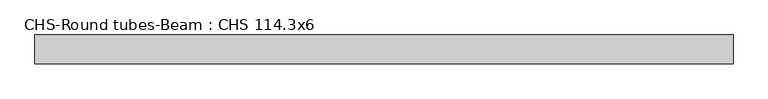
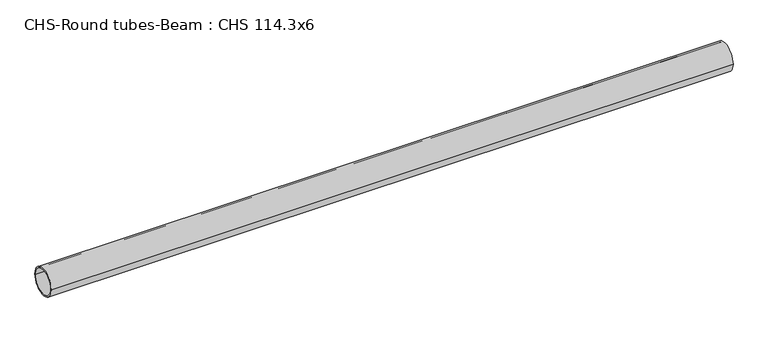
"""IFC4 building model written with IfcOpenShell, lengths in millimetres: beam geometry, CHS-Round tubes-Beam : CHS 114.3x6."""

import ifcopenshell
import ifcopenshell.guid

model = None  # the IFC model being written
_history = None  # IfcOwnerHistory: only IFC2X3 demands one
_inside = {}  # id of a spatial element -> (the spatial element, [elements in it])
_under = {}  # id of a project, library or spatial element -> (it, [spatial elements below it])
_declared = {}  # id of a project -> (the project, [libraries it declares])
_typed = {}  # id of a type object -> (the type object, [elements of that type])
_made_of = {}  # id of a material, layer set ... -> (it, [elements and type objects made of it])


def new_model(schema):
    """Start an empty IFC model of exactly this schema.

    Asked for "IFC4X3", IfcOpenShell would pick the latest addendum, in which some entities
    have other attributes; the version numbers below select the first issue.
    IFC2X3 requires an IfcOwnerHistory on every rooted entity: one is made here for all.
    """
    global model, _history
    if schema == "IFC4X3":
        model = ifcopenshell.file(schema_version=(4, 3, 0, 0))
    else:
        model = ifcopenshell.file(schema=schema)
    _inside.clear()
    _under.clear()
    _declared.clear()
    _typed.clear()
    _made_of.clear()
    _history = None
    if model.schema == "IFC2X3":
        org = make("IfcOrganization", Name="unknown")
        user = make(
            "IfcPersonAndOrganization",
            ThePerson=make("IfcPerson", FamilyName="unknown"),
            TheOrganization=org,
        )
        app = make(
            "IfcApplication",
            ApplicationDeveloper=org,
            Version="unknown",
            ApplicationFullName="unknown",
            ApplicationIdentifier="unknown",
        )
        _history = make(
            "IfcOwnerHistory",
            OwningUser=user,
            OwningApplication=app,
            ChangeAction="ADDED",
            CreationDate=0,
        )
    return model


def make(cls, **values):
    """One entity of the class cls with the attributes given. An attribute that is None is left unset."""
    return model.create_entity(
        cls, **{name: value for name, value in values.items() if value is not None}
    )


def rooted(cls, **values):
    """An entity with a GlobalId (a new one), such as an element, a storey or a relation."""
    return make(cls, GlobalId=ifcopenshell.guid.new(), OwnerHistory=_history, **values)


def si_unit(unit_type, name, prefix=None):
    """IfcSIUnit, for example si_unit("LENGTHUNIT", "METRE", prefix="MILLI")."""
    return make("IfcSIUnit", UnitType=unit_type, Prefix=prefix, Name=name)


def assignment(units):
    """IfcUnitAssignment: the units of a project."""
    return None if units is None else make("IfcUnitAssignment", Units=units)


def point(xyz):
    """IfcCartesianPoint."""
    return None if xyz is None else make("IfcCartesianPoint", Coordinates=xyz)


def direction(xyz):
    """IfcDirection."""
    return None if xyz is None else make("IfcDirection", DirectionRatios=xyz)


def frame(location, z_axis=None, x_axis=None):
    """IfcAxis2Placement3D, a coordinate frame: its origin and axes. An axis left out is left unset."""
    return make(
        "IfcAxis2Placement3D",
        Location=point(location),
        Axis=direction(z_axis),
        RefDirection=direction(x_axis),
    )


def frame_2d(location, x_axis=None):
    """IfcAxis2Placement2D, a coordinate frame in the plane: its origin and x axis."""
    return make(
        "IfcAxis2Placement2D", Location=point(location), RefDirection=direction(x_axis)
    )


def origin():
    """The frame at (0, 0, 0) with its axes left unset."""
    return frame((0.0, 0.0, 0.0))


def origin_2d():
    """The frame at (0, 0) in the plane with its x axis left unset."""
    return frame_2d((0.0, 0.0))


def place(relative_to, where):
    """IfcLocalPlacement: puts the frame where relative to a parent placement (None: the world)."""
    return make(
        "IfcLocalPlacement", PlacementRelTo=relative_to, RelativePlacement=where
    )


def context(
    kind, dimensions, precision=None, world=None, true_north=None, identifier=None
):
    """IfcGeometricRepresentationContext, for example the 3D "Model" context."""
    return make(
        "IfcGeometricRepresentationContext",
        ContextIdentifier=identifier,
        ContextType=kind,
        CoordinateSpaceDimension=dimensions,
        Precision=precision,
        WorldCoordinateSystem=world,
        TrueNorth=true_north,
    )


def project(units=None, contexts=None):
    """IfcProject with its units and contexts."""
    return rooted(
        "IfcProject",
        Name="project",
        RepresentationContexts=contexts,
        UnitsInContext=assignment(units),
    )


def spatial(cls, under=None, at=None, **own):
    """A site, building, storey or space (cls), placed at a placement, below another one or the project."""
    s = rooted(cls, ObjectPlacement=at, **own)
    if under is not None:
        _under.setdefault(under.id(), (under, []))[1].append(s)
    return s


def circle_curve(where, radius):
    """IfcCircle in the frame where."""
    return make("IfcCircle", Position=where, Radius=radius)


def trimmed(basis, trim1, trim2, sense, master):
    """IfcTrimmedCurve: the piece of a basis curve between two trims."""
    return make(
        "IfcTrimmedCurve",
        BasisCurve=basis,
        Trim1=trim1,
        Trim2=trim2,
        SenseAgreement=sense,
        MasterRepresentation=master,
    )


def segment(curve, same_sense, transition):
    """IfcCompositeCurveSegment."""
    return make(
        "IfcCompositeCurveSegment",
        Transition=transition,
        SameSense=same_sense,
        ParentCurve=curve,
    )


def composite_curve(segments, self_intersect=None):
    """IfcCompositeCurve: segments joined end to end."""
    return make("IfcCompositeCurve", Segments=segments, SelfIntersect=self_intersect)


def outline(outer, holes=None, kind="AREA"):
    """IfcArbitraryClosedProfileDef: a profile drawn as a closed curve; with holes, ...WithVoids."""
    if holes is None:
        return make("IfcArbitraryClosedProfileDef", ProfileType=kind, OuterCurve=outer)
    return make(
        "IfcArbitraryProfileDefWithVoids",
        ProfileType=kind,
        OuterCurve=outer,
        InnerCurves=holes,
    )


def extrude(swept, where, along, depth):
    """IfcExtrudedAreaSolid: the profile swept, set in the frame where, extruded along a direction by depth."""
    return make(
        "IfcExtrudedAreaSolid",
        SweptArea=swept,
        Position=where,
        ExtrudedDirection=direction(along),
        Depth=depth,
    )


def shape(context_of_items, identifier, shape_type, items):
    """IfcShapeRepresentation: the items that make up one representation, for example the "Body"."""
    return make(
        "IfcShapeRepresentation",
        ContextOfItems=context_of_items,
        RepresentationIdentifier=identifier,
        RepresentationType=shape_type,
        Items=items,
    )


def source(mapping_origin, context_of_items, identifier, shape_type, items):
    """IfcRepresentationMap: a shape defined once, which mapped items show again and again."""
    return make(
        "IfcRepresentationMap",
        MappingOrigin=mapping_origin,
        MappedRepresentation=shape(context_of_items, identifier, shape_type, items),
    )


def transform(
    local_origin,
    x_axis=None,
    y_axis=None,
    z_axis=None,
    scale=None,
    scale2=None,
    scale3=None,
    uniform=True,
):
    """IfcCartesianTransformationOperator3D, or its non-uniform kind. x_axis, y_axis, z_axis: its Axis1, 2, 3."""
    if uniform:
        return make(
            "IfcCartesianTransformationOperator3D",
            Axis1=direction(x_axis),
            Axis2=direction(y_axis),
            LocalOrigin=point(local_origin),
            Scale=scale,
            Axis3=direction(z_axis),
        )
    return make(
        "IfcCartesianTransformationOperator3DnonUniform",
        Axis1=direction(x_axis),
        Axis2=direction(y_axis),
        LocalOrigin=point(local_origin),
        Scale=scale,
        Axis3=direction(z_axis),
        Scale2=scale2,
        Scale3=scale3,
    )


def mapped(mapping_source, mapping_target):
    """IfcMappedItem: shows the shape of a source again, moved by a transform."""
    return make(
        "IfcMappedItem", MappingSource=mapping_source, MappingTarget=mapping_target
    )


def made_of(thing, what):
    """Note that an element or type object is made of a material, layer set ...; save() writes the relation."""
    if what is not None:
        _made_of.setdefault(what.id(), (what, []))[1].append(thing)
    return thing


def element(
    cls,
    number,
    at=None,
    inside=None,
    cuts=None,
    type_object=None,
    material=None,
    context=None,
    identifier="Body",
    shape_type=None,
    held_by="IfcProductDefinitionShape",
    body=None,
    shapes=None,
    **own,
):
    """One element of the class cls, such as IfcWall. Its Tag is "e" and its number.

    at: its placement. inside: the storey or other place that contains it. cuts: it is an
    opening in that element (IfcRelVoidsElement). A single representation is given by context,
    identifier, shape_type and body (its items); several are given by shapes. held_by: the class
    of the entity that holds the representations. save() writes the other relations.
    """
    e = rooted(cls, Tag="e%d" % number, ObjectPlacement=at, **own)
    if body is not None:
        shapes = [shape(context, identifier, shape_type, body)]
    if shapes is not None:
        e.Representation = make(held_by, Representations=shapes)
    if inside is not None:
        _inside.setdefault(inside.id(), (inside, []))[1].append(e)
    if cuts is not None:
        rooted(
            "IfcRelVoidsElement", RelatingBuildingElement=cuts, RelatedOpeningElement=e
        )
    if type_object is not None:
        _typed.setdefault(type_object.id(), (type_object, []))[1].append(e)
    return made_of(e, material)


def aggregate(whole, parts):
    """IfcRelAggregates: a whole, such as a stair, and the parts it consists of."""
    return rooted("IfcRelAggregates", RelatingObject=whole, RelatedObjects=parts)


def save(model, path):
    """Write the relations noted so far, then the file.

    IfcRelAggregates (storeys below a building ...), IfcRelContainedInSpatialStructure (elements
    in a storey), IfcRelDefinesByType, IfcRelAssociatesMaterial and IfcRelDeclares: one each for
    every whole, place, type object, material and project.
    """
    for whole, parts in _under.values():
        aggregate(whole, parts)
    for where, things in _inside.values():
        rooted(
            "IfcRelContainedInSpatialStructure",
            RelatedElements=things,
            RelatingStructure=where,
        )
    for kind, things in _typed.values():
        rooted("IfcRelDefinesByType", RelatedObjects=things, RelatingType=kind)
    for what, things in _made_of.values():
        rooted("IfcRelAssociatesMaterial", RelatedObjects=things, RelatingMaterial=what)
    for by, libraries in _declared.values():
        rooted("IfcRelDeclares", RelatingContext=by, RelatedDefinitions=libraries)
    model.write(path)


def chs_round_tubes_beam_chs_114_3x6_b3d4a2ef(model_context):
    return source(origin(), model_context, "Body", "SweptSolid", [
        extrude(outline(composite_curve([segment(trimmed(circle_curve(origin_2d(), 57.15), [point((57.15, 0.0))], [point((-57.15, 0.0))], False, "CARTESIAN"), True, "CONTINUOUS"), segment(trimmed(circle_curve(origin_2d(), 57.15), [point((-57.15, 0.0))], [point((57.15, 0.0))], False, "CARTESIAN"), True, "CONTINUOUS")], self_intersect=False), holes=[composite_curve([segment(trimmed(circle_curve(origin_2d(), 51.15), [point((51.15, 0.0))], [point((-51.15, 0.0))], True, "CARTESIAN"), True, "CONTINUOUS"), segment(trimmed(circle_curve(origin_2d(), 51.15), [point((-51.15, 0.0))], [point((51.15, 0.0))], True, "CARTESIAN"), True, "CONTINUOUS")], self_intersect=False)]), frame((-1339.5807925, 0.0, 0.0), z_axis=(1.0, 0.0, 0.0), x_axis=(0.0, 1.0, 0.0)), (0.0, 0.0, 1.0), 2769.8708483),
    ])


if __name__ == "__main__":
    model = new_model("IFC4")
    model_context = context("Model", 3, world=origin())
    ifc_project = project(units=[si_unit("LENGTHUNIT", "METRE", prefix="MILLI")], contexts=[model_context])
    site = spatial("IfcSite", under=ifc_project)
    building = spatial("IfcBuilding", under=site)
    placement = place(None, origin())
    chs_round_tubes_beam_chs_114_3x6_shape = chs_round_tubes_beam_chs_114_3x6_b3d4a2ef(model_context)
    element("IfcBeam", 1, ObjectType="CHS-Round tubes-Beam : CHS 114.3x6", at=placement, inside=building, context=model_context, shape_type="MappedRepresentation", body=[
        mapped(chs_round_tubes_beam_chs_114_3x6_shape, transform((0.0, 0.0, 0.0), x_axis=(1.0, 0.0, 0.0), y_axis=(0.0, 1.0, 0.0), z_axis=(0.0, 0.0, 1.0))),
    ])
    save(model, "model.ifc")
